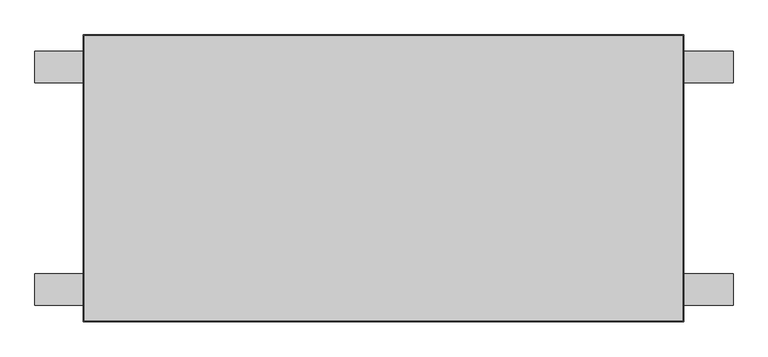
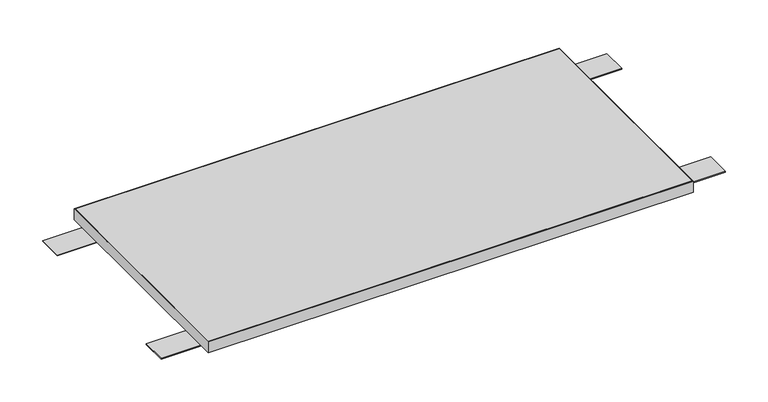
"""IFC4 building model written with IfcOpenShell, lengths in millimetres: furniture geometry."""

from ifc_helpers import new_model, si_unit, frame, origin, place, context, project, spatial, polyline, outline, extrude, source, transform, mapped, element, save


def furniture_9dc818e4(model_context):
    return source(origin(), model_context, "Body", "SweptSolid", [
        extrude(outline(polyline([(358.775, 349.25), (555.625, 349.25), (555.625, 285.75), (358.775, 285.75), (358.775, 349.25)])), frame((0.0, 0.0, 704.9262), z_axis=(0.0, 0.0, 1.0), x_axis=(1.0, 0.0, 0.0)), (0.0, 0.0, 1.0), 2.0828),
        extrude(outline(polyline([(358.775, 800.1), (555.625, 800.1), (555.625, 736.6), (358.775, 736.6), (358.775, 800.1)])), frame((0.0, 0.0, 704.9262), z_axis=(0.0, 0.0, 1.0), x_axis=(1.0, 0.0, 0.0)), (0.0, 0.0, 1.0), 2.0828),
        extrude(outline(polyline([(-858.901, 349.25), (-662.051, 349.25), (-662.051, 285.75), (-858.901, 285.75), (-858.901, 349.25)])), frame((0.0, 0.0, 704.9262), z_axis=(0.0, 0.0, 1.0), x_axis=(1.0, 0.0, 0.0)), (0.0, 0.0, 1.0), 2.0828),
        extrude(outline(polyline([(-858.901, 800.1), (-662.051, 800.1), (-662.051, 736.6), (-858.901, 736.6), (-858.901, 800.1)])), frame((0.0, 0.0, 704.9262), z_axis=(0.0, 0.0, 1.0), x_axis=(1.0, 0.0, 0.0)), (0.0, 0.0, 1.0), 2.0828),
        extrude(outline(polyline([(454.0758, 831.9008), (454.0758, 253.9492), (-758.8758, 253.9492), (-758.8758, 831.9008), (454.0758, 831.9008)])), frame((0.0, 0.0, 707.009), z_axis=(0.0, 0.0, 1.0), x_axis=(1.0, 0.0, 0.0)), (0.0, 0.0, 1.0), 29.591),
        extrude(outline(polyline([(455.6633, 252.3617), (-760.4633, 252.3617), (-760.4633, 833.4883), (455.6633, 833.4883), (455.6633, 252.3617)]), holes=[polyline([(454.0758, 831.9008), (-758.8758, 831.9008), (-758.8758, 253.9492), (454.0758, 253.9492), (454.0758, 831.9008)])]), frame((0.0, 0.0, 707.009), z_axis=(0.0, 0.0, 1.0), x_axis=(1.0, 0.0, 0.0)), (0.0, 0.0, 1.0), 29.591),
    ])


if __name__ == "__main__":
    model = new_model("IFC4")
    model_context = context("Model", 3, world=origin())
    ifc_project = project(units=[si_unit("LENGTHUNIT", "METRE", prefix="MILLI")], contexts=[model_context])
    site = spatial("IfcSite", under=ifc_project)
    building = spatial("IfcBuilding", under=site)
    placement = place(None, origin())
    furniture_shape = furniture_9dc818e4(model_context)
    element("IfcFurniture", 1, at=placement, inside=building, context=model_context, shape_type="MappedRepresentation", body=[
        mapped(furniture_shape, transform((0.0, 0.0, 0.0), x_axis=(1.0, 0.0, 0.0), y_axis=(0.0, 1.0, 0.0), z_axis=(0.0, 0.0, 1.0))),
    ])
    save(model, "model.ifc")
